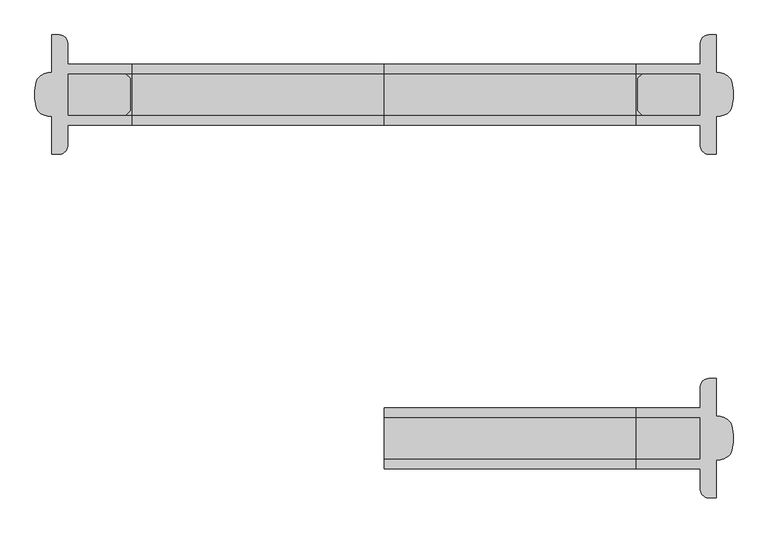
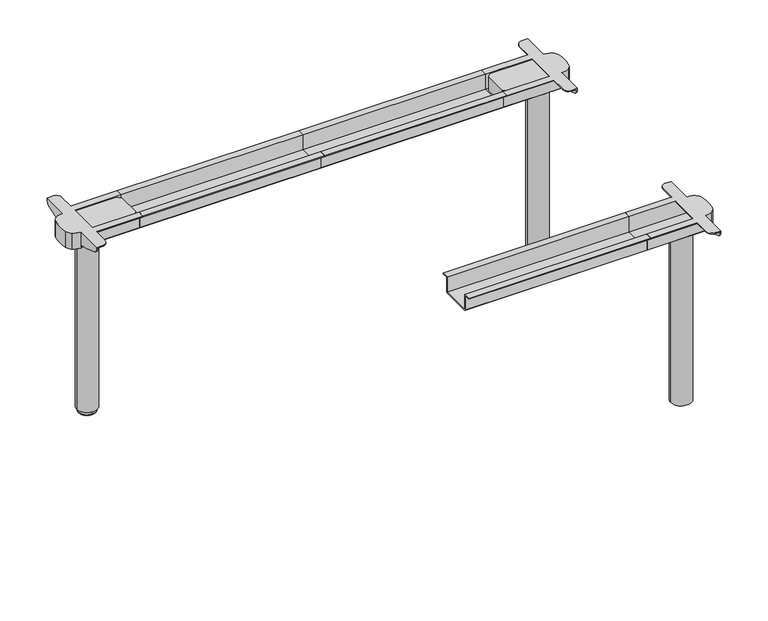
"""IFC4 building model written with IfcOpenShell, lengths in millimetres: furniture geometry."""

from ifc_helpers import new_model, si_unit, point, frame, frame_2d, origin, place, context, project, spatial, polyline, circle_curve, ellipse_curve, trimmed, segment, composite_curve, outline, extrude, source, transform, mapped, element, save
from ifc_brep_helpers import plane_surface, cylinder_surface, revolved_surface, advanced_brep


def furniture_148e4c05(model_context):
    return source(origin(), model_context, "Body", "SolidModel", [
        extrude(outline(polyline([(349.5, 692.0), (349.5, 695.0), (373.0, 695.0), (373.0, 640.0), (477.0, 640.0), (477.0, 695.0), (500.5, 695.0), (500.5, 692.0), (480.0, 692.0), (480.0, 640.0), (477.0, 637.0), (373.0, 637.0), (370.0, 640.0), (370.0, 692.0), (349.5, 692.0)])), frame((900.0, 0.0, 0.0), z_axis=(1.0, 0.0, 0.0), x_axis=(0.0, 1.0, 0.0)), (0.0, 0.0, 1.0), 622.0),
        extrude(outline(composite_curve([segment(trimmed(circle_curve(frame_2d((1670.0, 425.0)), 35.0), [point((1705.0, 425.0))], [point((1635.0, 425.0))], False, "CARTESIAN"), True, "CONTINUOUS"), segment(trimmed(circle_curve(frame_2d((1670.0, 425.0)), 35.0), [point((1635.0, 425.0))], [point((1705.0, 425.0))], False, "CARTESIAN"), True, "CONTINUOUS")], self_intersect=False)), frame((0.0, 0.0, 14.9999997), z_axis=(0.0, 0.0, 1.0), x_axis=(1.0, 0.0, 0.0)), (0.0, 0.0, 1.0), 608.0000003),
        extrude(outline(composite_curve([segment(trimmed(circle_curve(frame_2d((1670.0, 425.0)), 32.0), [point((1702.0, 425.0))], [point((1638.0, 425.0))], False, "CARTESIAN"), True, "CONTINUOUS"), segment(trimmed(circle_curve(frame_2d((1670.0, 425.0)), 32.0), [point((1638.0, 425.0))], [point((1702.0, 425.0))], False, "CARTESIAN"), True, "CONTINUOUS")], self_intersect=False)), frame((0.0, 0.0, 623.0), z_axis=(0.0, 0.0, 1.0), x_axis=(1.0, 0.0, 0.0)), (0.0, 0.0, 1.0), 14.0),
        advanced_brep(
        [(1702.0, 572.5, 695.0), (1682.0, 552.5, 695.0), (1682.0, 500.5, 695.0), (1522.0, 500.5, 695.0), (1522.0, 477.0, 695.0), (1682.0, 477.0, 695.0), (1682.0, 373.0, 695.0), (1522.0, 373.0, 695.0), (1522.0, 349.5, 695.0), (1682.0, 349.5, 695.0), (1682.0, 297.5, 695.0), (1702.0, 277.5, 695.0), (1721.0, 277.5, 695.0), (1721.0, 370.0, 695.0), (1747.7236564, 378.2997982, 695.0), (1759.3057318, 395.0019514, 695.0), (1759.3057318, 454.9980486, 695.0), (1747.7236564, 471.7002018, 695.0), (1721.0, 480.0, 695.0), (1721.0, 572.5, 695.0), (1702.0, 277.5, 692.0), (1682.0, 297.5, 692.0), (1682.0, 349.5, 692.0), (1522.0, 349.5, 692.0), (1522.0, 370.0, 692.0), (1718.0, 370.0, 692.0), (1718.0, 277.5, 692.0), (1682.0, 552.5, 692.0), (1702.0, 572.5, 692.0), (1718.0, 572.5, 692.0), (1718.0, 480.0, 692.0), (1522.0, 480.0, 692.0), (1522.0, 500.5, 692.0), (1682.0, 500.5, 692.0), (1682.0, 373.0, 692.0), (1682.0, 477.0, 692.0), (1718.0, 477.0, 692.0), (1718.0, 373.0, 692.0), (1718.0, 277.5, 690.0), (1721.0, 277.5, 690.0), (1721.0, 288.6005858, 672.1446048), (1721.0, 338.0263662, 654.4919759), (1721.0, 367.7068099, 647.0), (1721.0, 370.0, 647.0), (1721.0, 482.2931901, 647.0), (1721.0, 511.9736338, 654.4919759), (1721.0, 561.3994142, 672.1446048), (1721.0, 572.5, 690.0), (1721.0, 480.0, 647.0), (1718.0, 572.5, 690.0), (1718.0, 477.0, 647.0), (1718.0, 373.0, 647.0), (1718.0, 288.6005858, 672.1446048), (1718.0, 370.0, 647.0), (1718.0, 367.7068099, 647.0), (1718.0, 338.0263662, 654.4919759), (1718.0, 561.3994142, 672.1446048), (1718.0, 511.9736338, 654.4919759), (1718.0, 482.2931901, 647.0), (1718.0, 480.0, 647.0), (1721.0, 477.0, 647.0), (1721.0, 373.0, 647.0), (1522.0, 373.0, 640.0), (1522.0, 477.0, 640.0), (1522.0, 480.0, 640.0), (1522.0, 477.0, 637.0), (1522.0, 373.0, 637.0), (1522.0, 370.0, 640.0), (1721.0, 373.0, 640.0), (1721.0, 477.0, 640.0), (1721.0908216, 480.0, 640.0), (1721.0, 477.0, 637.0), (1721.0, 480.0, 637.0), (1747.7236564, 471.7002018, 637.0), (1759.3057318, 454.9980486, 637.0), (1759.3057318, 395.0019514, 637.0), (1747.7236564, 378.2997982, 637.0), (1721.0, 370.0, 637.0), (1721.0, 373.0, 637.0), (1721.0, 370.0, 640.0)],
        [
            (0, 1, circle_curve(frame((1702.0, 552.5, 695.0), z_axis=(0.0, 0.0, 1.0), x_axis=(-1.0, 0.0, 0.0)), 20.0)),
            (1, 2),
            (2, 3),
            (3, 4),
            (4, 5),
            (5, 6),
            (6, 7),
            (7, 8),
            (8, 9),
            (9, 10),
            (10, 11, circle_curve(frame((1702.0, 297.5, 695.0), z_axis=(0.0, 0.0, 1.0), x_axis=(-1.0, 0.0, 0.0)), 20.0)),
            (11, 12),
            (12, 13),
            (13, 14, circle_curve(frame((1721.0454108, 417.0260458, 695.0), z_axis=(0.0, 0.0, 1.0), x_axis=(-1.0, 0.0, 0.0)), 47.0260677)),
            (14, 15, circle_curve(frame((1731.4118931, 401.9780188, 695.0), z_axis=(0.0, 0.0, 1.0), x_axis=(-1.0, 0.0, 0.0)), 28.7529434)),
            (15, 16, circle_curve(frame((1639.3583906, 425.0, 695.0), z_axis=(0.0, 0.0, 1.0), x_axis=(-1.0, 0.0, 0.0)), 123.6416094)),
            (16, 17, circle_curve(frame((1731.4118931, 448.0219812, 695.0), z_axis=(0.0, 0.0, 1.0), x_axis=(-1.0, 0.0, 0.0)), 28.7529434)),
            (17, 18, circle_curve(frame((1721.0454108, 432.9739542, 695.0), z_axis=(0.0, 0.0, 1.0), x_axis=(-1.0, 0.0, 0.0)), 47.0260677)),
            (18, 19),
            (19, 0),
            (20, 21, circle_curve(frame((1702.0, 297.5, 692.0), z_axis=(0.0, 0.0, -1.0), x_axis=(-1.0, 0.0, 0.0)), 20.0)),
            (21, 22),
            (22, 23),
            (23, 24),
            (24, 25),
            (25, 26),
            (26, 20),
            (27, 28, circle_curve(frame((1702.0, 552.5, 692.0), z_axis=(0.0, 0.0, -1.0), x_axis=(-1.0, 0.0, 0.0)), 20.0)),
            (28, 29),
            (29, 30),
            (30, 31),
            (31, 32),
            (32, 33),
            (33, 27),
            (34, 35),
            (35, 36),
            (36, 37),
            (37, 34),
            (11, 20),
            (26, 38),
            (38, 39),
            (39, 12),
            (40, 41, circle_curve(frame((1721.0, 405.1855435, 920.5518532), z_axis=(1.0, 0.0, 0.0), x_axis=(0.0, -1.0, 0.0)), 274.4051993)),
            (41, 42),
            (42, 43),
            (43, 13),
            (39, 40, circle_curve(frame((1721.0, 297.4105773, 690.0), z_axis=(1.0, 0.0, 0.0), x_axis=(0.0, -1.0, 0.0)), 19.9105773)),
            (44, 45),
            (45, 46, circle_curve(frame((1721.0, 444.8144565, 920.5518532), z_axis=(1.0, 0.0, 0.0), x_axis=(0.0, -1.0, 0.0)), 274.4051993)),
            (46, 47, circle_curve(frame((1721.0, 552.5894227, 690.0), z_axis=(1.0, 0.0, 0.0), x_axis=(0.0, -1.0, 0.0)), 19.9105773)),
            (47, 19),
            (18, 48),
            (48, 44),
            (28, 0),
            (47, 49),
            (49, 29),
            (27, 1),
            (5, 35),
            (34, 6),
            (33, 2),
            (21, 10),
            (9, 22),
            (36, 50),
            (50, 51),
            (51, 37),
            (52, 38, circle_curve(frame((1718.0, 297.4105773, 690.0), z_axis=(-1.0, 0.0, 0.0), x_axis=(0.0, -1.0, 0.0)), 19.9105773)),
            (25, 53),
            (53, 54),
            (54, 55),
            (55, 52, circle_curve(frame((1718.0, 405.1855435, 920.5518532), z_axis=(-1.0, 0.0, 0.0), x_axis=(0.0, -1.0, 0.0)), 274.4051993)),
            (49, 56, circle_curve(frame((1718.0, 552.5894227, 690.0), z_axis=(-1.0, 0.0, 0.0), x_axis=(0.0, -1.0, 0.0)), 19.9105773)),
            (56, 57, circle_curve(frame((1718.0, 444.8144565, 920.5518532), z_axis=(-1.0, 0.0, 0.0), x_axis=(0.0, -1.0, 0.0)), 274.4051993)),
            (57, 58),
            (58, 59),
            (59, 30),
            (52, 40),
            (46, 56),
            (45, 57),
            (44, 58),
            (50, 60),
            (60, 61),
            (61, 51),
            (48, 59),
            (42, 54),
            (53, 43),
            (41, 55),
            (23, 8),
            (7, 62),
            (62, 63),
            (63, 4),
            (3, 32),
            (31, 64),
            (64, 65),
            (65, 66),
            (66, 67),
            (67, 24),
            (61, 68),
            (68, 62),
            (68, 69),
            (69, 63),
            (69, 60),
            (48, 70),
            (70, 64),
            (65, 71),
            (71, 72),
            (72, 73, circle_curve(frame((1721.0454108, 432.9739542, 637.0), z_axis=(0.0, 0.0, -1.0), x_axis=(-1.0, 0.0, 0.0)), 47.0260677)),
            (73, 74, circle_curve(frame((1731.4118931, 448.0219812, 637.0), z_axis=(0.0, 0.0, -1.0), x_axis=(-1.0, 0.0, 0.0)), 28.7529434)),
            (74, 75, circle_curve(frame((1639.3583906, 425.0, 637.0), z_axis=(0.0, 0.0, -1.0), x_axis=(-1.0, 0.0, 0.0)), 123.6416094)),
            (75, 76, circle_curve(frame((1731.4118931, 401.9780188, 637.0), z_axis=(0.0, 0.0, -1.0), x_axis=(-1.0, 0.0, 0.0)), 28.7529434)),
            (76, 77, circle_curve(frame((1721.0454108, 417.0260458, 637.0), z_axis=(0.0, 0.0, -1.0), x_axis=(-1.0, 0.0, 0.0)), 47.0260677)),
            (77, 78),
            (78, 66),
            (67, 79),
            (79, 43),
            (70, 71),
            (78, 79),
            (70, 72),
            (77, 79),
            (76, 14),
            (75, 15),
            (74, 16),
            (73, 17),
        ],
        [
            plane_surface(frame((1721.0, 277.5, 695.0), z_axis=(0.0, 0.0, 1.0), x_axis=(1.0, 0.0, 0.0))),
            plane_surface(frame((1721.0, 277.5, 692.0), z_axis=(0.0, 0.0, -1.0), x_axis=(-1.0, 0.0, 0.0))),
            plane_surface(frame((1702.0, 277.5, 695.0), z_axis=(0.0, -1.0, 0.0), x_axis=(0.0, 0.0, -1.0))),
            plane_surface(frame((1721.0, 277.5, 695.0), z_axis=(1.0, 0.0, 0.0), x_axis=(0.0, 0.0, -1.0))),
            plane_surface(frame((1721.0, 572.5, 695.0), z_axis=(0.0, 1.0, 0.0), x_axis=(0.0, 0.0, -1.0))),
            cylinder_surface(frame((1702.0, 552.5, 692.0), z_axis=(0.0, 0.0, 1.0), x_axis=(-1.0, 0.0, 0.0)), 20.0),
            plane_surface(frame((1682.0, 552.5, 695.0), z_axis=(-1.0, 0.0, 0.0), x_axis=(0.0, 0.0, -1.0))),
            cylinder_surface(frame((1702.0, 297.5, 692.0), z_axis=(0.0, 0.0, 1.0), x_axis=(-1.0, 0.0, 0.0)), 20.0),
            plane_surface(frame((1718.0, 277.5, 690.0), z_axis=(-1.0, 0.0, 0.0), x_axis=(0.0, 0.0, 1.0))),
            cylinder_surface(frame((1721.0, 297.4105773, 690.0), z_axis=(-1.0, 0.0, 0.0), x_axis=(0.0, -1.0, 0.0)), 19.9105773),
            cylinder_surface(frame((1721.0, 552.5894227, 690.0), z_axis=(-1.0, 0.0, 0.0), x_axis=(0.0, -1.0, 0.0)), 19.9105773),
            cylinder_surface(frame((1721.0, 444.8144565, 920.5518532), z_axis=(-1.0, 0.0, 0.0), x_axis=(0.0, -1.0, 0.0)), 274.4051993),
            plane_surface(frame((1718.0, 511.9736338, 654.4919759), z_axis=(0.0, 0.24474455091917155, -0.9695875952152921), x_axis=(1.0, 0.0, 0.0))),
            plane_surface(frame((1718.0, 482.2931901, 647.0), z_axis=(0.0, 0.0, -1.0), x_axis=(1.0, 0.0, 0.0))),
            plane_surface(frame((1718.0, 367.7068099, 647.0), z_axis=(0.0, -0.24474455091895964, -0.9695875952153455), x_axis=(1.0, 0.0, 0.0))),
            cylinder_surface(frame((1721.0, 405.1855435, 920.5518532), z_axis=(-1.0, 0.0, 0.0), x_axis=(0.0, -1.0, 0.0)), 274.4051993),
            plane_surface(frame((1522.0, 349.5, 695.0), z_axis=(-1.0, 0.0, 0.0), x_axis=(0.0, 0.0, 1.0))),
            plane_surface(frame((1522.0, 349.5, 692.0), z_axis=(0.0, -1.0, 0.0), x_axis=(1.0, 0.0, 0.0))),
            plane_surface(frame((1522.0, 373.0, 695.0), z_axis=(0.0, 1.0, 0.0), x_axis=(1.0, 0.0, 0.0))),
            plane_surface(frame((1522.0, 373.0, 640.0), z_axis=(0.0, 0.0, 1.0), x_axis=(1.0, 0.0, 0.0))),
            plane_surface(frame((1522.0, 477.0, 640.0), z_axis=(0.0, -1.0, 0.0), x_axis=(1.0, 0.0, 0.0))),
            plane_surface(frame((1522.0, 500.5, 695.0), z_axis=(0.0, 1.0, 0.0), x_axis=(1.0, 0.0, 0.0))),
            plane_surface(frame((1522.0, 480.0, 692.0), z_axis=(0.0, 1.0, 0.0), x_axis=(1.0, 0.0, 0.0))),
            plane_surface(frame((1522.0, 477.0, 637.0), z_axis=(0.0, 0.0, -1.0), x_axis=(1.0, 0.0, 0.0))),
            plane_surface(frame((1522.0, 370.0, 640.0), z_axis=(0.0, -1.0, 0.0), x_axis=(1.0, 0.0, 0.0))),
            plane_surface(frame((1522.0, 480.0, 640.0), z_axis=(0.0, 0.7071067811945555, -0.7071067811785396), x_axis=(1.0, 0.0, 0.0))),
            plane_surface(frame((1522.0, 373.0, 637.0), z_axis=(0.0, -0.7071067811865396, -0.7071067811865555), x_axis=(1.0, 0.0, 0.0))),
            plane_surface(frame((1721.0, 480.0, 695.0), z_axis=(-1.0, 0.0, 0.0), x_axis=(0.0, 0.0, -1.0))),
            cylinder_surface(frame((1721.0454108, 417.0260458, 637.0), z_axis=(0.0, 0.0, 1.0), x_axis=(-1.0, 0.0, 0.0)), 47.0260677),
            cylinder_surface(frame((1731.4118931, 401.9780188, 637.0), z_axis=(0.0, 0.0, 1.0), x_axis=(-1.0, 0.0, 0.0)), 28.7529434),
            cylinder_surface(frame((1639.3583906, 425.0, 637.0), z_axis=(0.0, 0.0, 1.0), x_axis=(-1.0, 0.0, 0.0)), 123.6416094),
            cylinder_surface(frame((1731.4118931, 448.0219812, 637.0), z_axis=(0.0, 0.0, 1.0), x_axis=(-1.0, 0.0, 0.0)), 28.7529434),
            cylinder_surface(frame((1721.0454108, 432.9739542, 637.0), z_axis=(0.0, 0.0, 1.0), x_axis=(-1.0, 0.0, 0.0)), 47.0260677),
        ],
        [
            (0, [[1, 2, 3, 4, 5, 6, 7, 8, 9, 10, 11, 12, 13, 14, 15, 16, 17, 18, 19, 20]]),
            (1, [[21, 22, 23, 24, 25, 26, 27]]),
            (1, [[28, 29, 30, 31, 32, 33, 34]]),
            (1, [[35, 36, 37, 38]]),
            (2, [[39, -27, 40, 41, 42, -12]]),
            (3, [[43, 44, 45, 46, -13, -42, 47]]),
            (3, [[48, 49, 50, 51, -19, 52, 53]]),
            (4, [[54, -20, -51, 55, 56, -29]]),
            (5, [[-1, -54, -28, 57]]),
            (6, [[-6, 58, -35, 59]]),
            (6, [[-57, -34, 60, -2]]),
            (6, [[61, -10, 62, -22]]),
            (7, [[-11, -61, -21, -39]]),
            (8, [[-37, 63, 64, 65]]),
            (8, [[66, -40, -26, 67, 68, 69, 70]]),
            (8, [[71, 72, 73, 74, 75, -30, -56]]),
            (9, [[-66, 76, -47, -41]]),
            (10, [[-71, -55, -50, 77]]),
            (11, [[-72, -77, -49, 78]]),
            (12, [[-73, -78, -48, 79]]),
            (13, [[-64, 80, 81, 82]]),
            (13, [[-79, -53, 83, -74]]),
            (13, [[84, -68, 85, -45]]),
            (14, [[-69, -84, -44, 86]]),
            (15, [[-70, -86, -43, -76]]),
            (16, [[87, -8, 88, 89, 90, -4, 91, -32, 92, 93, 94, 95, 96, -24]]),
            (17, [[-87, -23, -62, -9]]),
            (18, [[-88, -7, -59, -38, -65, -82, 97, 98]]),
            (19, [[-89, -98, 99, 100]]),
            (20, [[-90, -100, 101, -80, -63, -36, -58, -5]]),
            (21, [[-91, -3, -60, -33]]),
            (22, [[-92, -31, -75, -83, 102, 103]]),
            (23, [[-94, 104, 105, 106, 107, 108, 109, 110, 111, 112]]),
            (24, [[-96, 113, 114, -85, -67, -25]]),
            (25, [[-93, -103, 115, -104]]),
            (26, [[-95, -112, 116, -113]]),
            (27, [[-81, -101, -99, -97]]),
            (27, [[-105, -115, 117]]),
            (27, [[118, -116, -111]]),
            (28, [[-14, -46, -114, -118, -110, 119]]),
            (29, [[-15, -119, -109, 120]]),
            (30, [[-16, -120, -108, 121]]),
            (31, [[-17, -121, -107, 122]]),
            (32, [[-18, -122, -106, -117, -102, -52]]),
        ],
    ),
        advanced_brep(
        [(1670.0, 395.0, 11.9999997), (1670.0, 455.0, 11.9999997), (1670.0, 452.0, 14.9999997), (1670.0, 398.0, 14.9999997), (1670.0, 395.0, 3.0), (1670.0, 455.0, 3.0), (1670.0, 398.0, 0.0), (1670.0, 452.0, 0.0), (1670.0, 425.0, 0.0), (1670.0, 425.0, 14.9999997)],
        [
            (0, 1, circle_curve(frame((1670.0, 425.0, 11.9999997), z_axis=(0.0, 0.0, 1.0), x_axis=(0.0, 1.0, 0.0)), 30.0)),
            (1, 2, circle_curve(frame((1670.0, 452.0, 11.9999997), z_axis=(1.0, 0.0, 0.0), x_axis=(0.0, -1.0, 0.0)), 3.0)),
            (2, 3, circle_curve(frame((1670.0, 425.0, 14.9999997), z_axis=(0.0, 0.0, -1.0), x_axis=(0.0, 1.0, 0.0)), 27.0)),
            (3, 0, circle_curve(frame((1670.0, 398.0, 11.9999997), z_axis=(1.0, 0.0, 0.0), x_axis=(0.0, 1.0, 0.0)), 3.0)),
            (1, 0, circle_curve(frame((1670.0, 425.0, 11.9999997), z_axis=(0.0, 0.0, 1.0), x_axis=(0.0, 1.0, 0.0)), 30.0)),
            (3, 2, circle_curve(frame((1670.0, 425.0, 14.9999997), z_axis=(0.0, 0.0, -1.0), x_axis=(0.0, 1.0, 0.0)), 27.0)),
            (4, 5, circle_curve(frame((1670.0, 425.0, 3.0), z_axis=(0.0, 0.0, 1.0), x_axis=(0.0, 1.0, 0.0)), 30.0)),
            (5, 1),
            (0, 4),
            (5, 4, circle_curve(frame((1670.0, 425.0, 3.0), z_axis=(0.0, 0.0, 1.0), x_axis=(0.0, 1.0, 0.0)), 30.0)),
            (6, 7, circle_curve(frame((1670.0, 425.0, 0.0), z_axis=(0.0, 0.0, 1.0), x_axis=(0.0, 1.0, 0.0)), 27.0)),
            (7, 5, circle_curve(frame((1670.0, 452.0, 3.0), z_axis=(1.0, 0.0, 0.0), x_axis=(0.0, -1.0, 0.0)), 3.0)),
            (4, 6, circle_curve(frame((1670.0, 398.0, 3.0), z_axis=(1.0, 0.0, 0.0), x_axis=(0.0, 1.0, 0.0)), 3.0)),
            (7, 6, circle_curve(frame((1670.0, 425.0, 0.0), z_axis=(0.0, 0.0, 1.0), x_axis=(0.0, 1.0, 0.0)), 27.0)),
            (8, 7),
            (6, 8),
            (2, 9),
            (9, 3),
        ],
        [
            revolved_surface(trimmed(ellipse_curve(frame((1670.0, 452.0, 11.9999997), z_axis=(-1.0, 0.0, 0.0), x_axis=(0.0, -1.0, 0.0)), 3.0, 3.0), [point((1670.0, 452.0, 14.9999997))], [point((1670.0, 455.0, 11.9999997))], True, "CARTESIAN"), (1670.0, 425.0, -5.0), (0.0, 0.0, -1.0)),
            cylinder_surface(frame((1670.0, 425.0, -5.0), z_axis=(0.0, 0.0, -1.0), x_axis=(0.0, 1.0, 0.0)), 30.0),
            revolved_surface(trimmed(ellipse_curve(frame((1670.0, 452.0, 3.0), z_axis=(-1.0, 0.0, 0.0), x_axis=(0.0, -1.0, 0.0)), 3.0, 3.0), [point((1670.0, 455.0, 3.0))], [point((1670.0, 452.0, 0.0))], True, "CARTESIAN"), (1670.0, 425.0, -5.0), (0.0, 0.0, -1.0)),
            plane_surface(frame((1670.0, 425.0, 0.0), z_axis=(0.0, 0.0, -1.0), x_axis=(0.0, 1.0, 0.0))),
            plane_surface(frame((1670.0, 425.0, 14.9999997), z_axis=(0.0, 0.0, 1.0), x_axis=(0.0, 1.0, 0.0))),
        ],
        [
            (0, [[1, 2, 3, 4]]),
            (0, [[5, -4, 6, -2]]),
            (1, [[7, 8, -1, 9]]),
            (1, [[10, -9, -5, -8]]),
            (2, [[11, 12, -7, 13]]),
            (2, [[14, -13, -10, -12]]),
            (3, [[15, -11, 16]]),
            (3, [[-16, -14, -15]]),
            (4, [[-3, 17, 18]]),
            (4, [[-6, -18, -17]]),
        ],
    ),
        extrude(outline(polyline([(1539.0058611, 373.0), (1527.0, 385.0058611), (1527.0, 464.9941389), (1539.0058611, 477.0), (1721.0, 477.0), (1721.0, 373.0), (1539.0058611, 373.0)])), frame((0.0, 0.0, 640.0), z_axis=(0.0, 0.0, 1.0), x_axis=(1.0, 0.0, 0.0)), (0.0, 0.0, 1.0), 52.0),
        extrude(outline(polyline([(349.5, 692.0), (349.5, 695.0), (373.0, 695.0), (373.0, 640.0), (477.0, 640.0), (477.0, 695.0), (500.5, 695.0), (500.5, 692.0), (480.0, 692.0), (480.0, 640.0), (477.0, 637.0), (373.0, 637.0), (370.0, 640.0), (370.0, 692.0), (349.5, 692.0)])), frame((278.0, 0.0, 0.0), z_axis=(1.0, 0.0, 0.0), x_axis=(0.0, 1.0, 0.0)), (0.0, 0.0, 1.0), 622.0),
        extrude(outline(composite_curve([segment(trimmed(circle_curve(frame_2d((130.0, 425.0)), 35.0), [point((95.0, 425.0))], [point((165.0, 425.0))], False, "CARTESIAN"), True, "CONTINUOUS"), segment(trimmed(circle_curve(frame_2d((130.0, 425.0)), 35.0), [point((165.0, 425.0))], [point((95.0, 425.0))], False, "CARTESIAN"), True, "CONTINUOUS")], self_intersect=False)), frame((0.0, 0.0, 14.9999997), z_axis=(0.0, 0.0, 1.0), x_axis=(1.0, 0.0, 0.0)), (0.0, 0.0, 1.0), 608.0000003),
        extrude(outline(composite_curve([segment(trimmed(circle_curve(frame_2d((130.0, 425.0)), 32.0), [point((98.0, 425.0))], [point((162.0, 425.0))], False, "CARTESIAN"), True, "CONTINUOUS"), segment(trimmed(circle_curve(frame_2d((130.0, 425.0)), 32.0), [point((162.0, 425.0))], [point((98.0, 425.0))], False, "CARTESIAN"), True, "CONTINUOUS")], self_intersect=False)), frame((0.0, 0.0, 623.0), z_axis=(0.0, 0.0, 1.0), x_axis=(1.0, 0.0, 0.0)), (0.0, 0.0, 1.0), 14.0),
        advanced_brep(
        [(98.0, 572.5, 695.0), (79.0, 572.5, 695.0), (79.0, 480.0, 695.0), (52.2763436, 471.7002018, 695.0), (40.6942682, 454.9980486, 695.0), (40.6942682, 395.0019514, 695.0), (52.2763436, 378.2997982, 695.0), (79.0, 370.0, 695.0), (79.0, 277.5, 695.0), (98.0, 277.5, 695.0), (118.0, 297.5, 695.0), (118.0, 349.5, 695.0), (278.0, 349.5, 695.0), (278.0, 373.0, 695.0), (118.0, 373.0, 695.0), (118.0, 477.0, 695.0), (278.0, 477.0, 695.0), (278.0, 500.5, 695.0), (118.0, 500.5, 695.0), (118.0, 552.5, 695.0), (98.0, 277.5, 692.0), (82.0, 277.5, 692.0), (82.0, 370.0, 692.0), (278.0, 370.0, 692.0), (278.0, 349.5, 692.0), (118.0, 349.5, 692.0), (118.0, 297.5, 692.0), (118.0, 552.5, 692.0), (118.0, 500.5, 692.0), (278.0, 500.5, 692.0), (278.0, 480.0, 692.0), (82.0, 480.0, 692.0), (82.0, 572.5, 692.0), (98.0, 572.5, 692.0), (118.0, 373.0, 692.0), (82.0, 373.0, 692.0), (82.0, 477.0, 692.0), (118.0, 477.0, 692.0), (79.0, 277.5, 690.0), (82.0, 277.5, 690.0), (79.0, 288.6005858, 672.1446048), (79.0, 370.0, 647.0), (79.0, 367.7068099, 647.0), (79.0, 338.0263662, 654.4919759), (79.0, 482.2931901, 647.0), (79.0, 480.0, 647.0), (79.0, 572.5, 690.0), (79.0, 561.3994142, 672.1446048), (79.0, 511.9736338, 654.4919759), (82.0, 572.5, 690.0), (82.0, 480.0, 647.0), (82.0, 482.2931901, 647.0), (82.0, 511.9736338, 654.4919759), (82.0, 561.3994142, 672.1446048), (82.0, 288.6005858, 672.1446048), (82.0, 338.0263662, 654.4919759), (82.0, 367.7068099, 647.0), (82.0, 370.0, 647.0), (82.0, 373.0, 647.0), (82.0, 477.0, 647.0), (79.0, 373.0, 647.0), (79.0, 477.0, 647.0), (278.0, 370.0, 640.0), (278.0, 373.0, 637.0), (278.0, 477.0, 637.0), (278.0, 480.0, 640.0), (278.0, 477.0, 640.0), (278.0, 373.0, 640.0), (79.0, 373.0, 640.0), (79.0, 477.0, 640.0), (79.0, 480.0, 640.0), (79.0, 373.0, 637.0), (79.0, 370.0, 637.0), (52.2763436, 378.2997982, 637.0), (40.6942682, 395.0019514, 637.0), (40.6942682, 454.9980486, 637.0), (52.2763436, 471.7002018, 637.0), (79.0, 480.0, 637.0), (79.0, 477.0, 637.0), (79.0, 370.0, 640.0)],
        [
            (0, 1),
            (1, 2),
            (2, 3, circle_curve(frame((78.9545892, 432.9739542, 695.0), z_axis=(0.0, 0.0, 1.0), x_axis=(1.0, 0.0, 0.0)), 47.0260677)),
            (3, 4, circle_curve(frame((68.5881069, 448.0219812, 695.0), z_axis=(0.0, 0.0, 1.0), x_axis=(1.0, 0.0, 0.0)), 28.7529434)),
            (4, 5, circle_curve(frame((160.6416094, 425.0, 695.0), z_axis=(0.0, 0.0, 1.0), x_axis=(1.0, 0.0, 0.0)), 123.6416094)),
            (5, 6, circle_curve(frame((68.5881069, 401.9780188, 695.0), z_axis=(0.0, 0.0, 1.0), x_axis=(1.0, 0.0, 0.0)), 28.7529434)),
            (6, 7, circle_curve(frame((78.9545892, 417.0260458, 695.0), z_axis=(0.0, 0.0, 1.0), x_axis=(1.0, 0.0, 0.0)), 47.0260677)),
            (7, 8),
            (8, 9),
            (9, 10, circle_curve(frame((98.0, 297.5, 695.0), z_axis=(0.0, 0.0, 1.0), x_axis=(1.0, 0.0, 0.0)), 20.0)),
            (10, 11),
            (11, 12),
            (12, 13),
            (13, 14),
            (14, 15),
            (15, 16),
            (16, 17),
            (17, 18),
            (18, 19),
            (19, 0, circle_curve(frame((98.0, 552.5, 695.0), z_axis=(0.0, 0.0, 1.0), x_axis=(1.0, 0.0, 0.0)), 20.0)),
            (20, 21),
            (21, 22),
            (22, 23),
            (23, 24),
            (24, 25),
            (25, 26),
            (26, 20, circle_curve(frame((98.0, 297.5, 692.0), z_axis=(0.0, 0.0, -1.0), x_axis=(1.0, 0.0, 0.0)), 20.0)),
            (27, 28),
            (28, 29),
            (29, 30),
            (30, 31),
            (31, 32),
            (32, 33),
            (33, 27, circle_curve(frame((98.0, 552.5, 692.0), z_axis=(0.0, 0.0, -1.0), x_axis=(1.0, 0.0, 0.0)), 20.0)),
            (34, 35),
            (35, 36),
            (36, 37),
            (37, 34),
            (8, 38),
            (38, 39),
            (39, 21),
            (20, 9),
            (40, 38, circle_curve(frame((79.0, 297.4105773, 690.0), z_axis=(-1.0, 0.0, 0.0), x_axis=(0.0, -1.0, 0.0)), 19.9105773)),
            (7, 41),
            (41, 42),
            (42, 43),
            (43, 40, circle_curve(frame((79.0, 405.1855435, 920.5518532), z_axis=(-1.0, 0.0, 0.0), x_axis=(0.0, -1.0, 0.0)), 274.4051993)),
            (44, 45),
            (45, 2),
            (1, 46),
            (46, 47, circle_curve(frame((79.0, 552.5894227, 690.0), z_axis=(-1.0, 0.0, 0.0), x_axis=(0.0, -1.0, 0.0)), 19.9105773)),
            (47, 48, circle_curve(frame((79.0, 444.8144565, 920.5518532), z_axis=(-1.0, 0.0, 0.0), x_axis=(0.0, -1.0, 0.0)), 274.4051993)),
            (48, 44),
            (32, 49),
            (49, 46),
            (0, 33),
            (19, 27),
            (18, 28),
            (25, 11),
            (10, 26),
            (14, 34),
            (37, 15),
            (31, 50),
            (50, 51),
            (51, 52),
            (52, 53, circle_curve(frame((82.0, 444.8144565, 920.5518532), z_axis=(1.0, 0.0, 0.0), x_axis=(0.0, -1.0, 0.0)), 274.4051993)),
            (53, 49, circle_curve(frame((82.0, 552.5894227, 690.0), z_axis=(1.0, 0.0, 0.0), x_axis=(0.0, -1.0, 0.0)), 19.9105773)),
            (54, 55, circle_curve(frame((82.0, 405.1855435, 920.5518532), z_axis=(1.0, 0.0, 0.0), x_axis=(0.0, -1.0, 0.0)), 274.4051993)),
            (55, 56),
            (56, 57),
            (57, 22),
            (39, 54, circle_curve(frame((82.0, 297.4105773, 690.0), z_axis=(1.0, 0.0, 0.0), x_axis=(0.0, -1.0, 0.0)), 19.9105773)),
            (35, 58),
            (58, 59),
            (59, 36),
            (40, 54),
            (53, 47),
            (52, 48),
            (51, 44),
            (41, 57),
            (56, 42),
            (50, 45),
            (58, 60),
            (60, 61),
            (61, 59),
            (55, 43),
            (23, 62),
            (62, 63),
            (63, 64),
            (64, 65),
            (65, 30),
            (29, 17),
            (16, 66),
            (66, 67),
            (67, 13),
            (12, 24),
            (67, 68),
            (68, 60),
            (66, 69),
            (69, 68),
            (61, 69),
            (65, 70),
            (70, 45),
            (63, 71),
            (71, 72),
            (72, 73, circle_curve(frame((78.9545892, 417.0260458, 637.0), z_axis=(0.0, 0.0, -1.0), x_axis=(1.0, 0.0, 0.0)), 47.0260677)),
            (73, 74, circle_curve(frame((68.5881069, 401.9780188, 637.0), z_axis=(0.0, 0.0, -1.0), x_axis=(1.0, 0.0, 0.0)), 28.7529434)),
            (74, 75, circle_curve(frame((160.6416094, 425.0, 637.0), z_axis=(0.0, 0.0, -1.0), x_axis=(1.0, 0.0, 0.0)), 123.6416094)),
            (75, 76, circle_curve(frame((68.5881069, 448.0219812, 637.0), z_axis=(0.0, 0.0, -1.0), x_axis=(1.0, 0.0, 0.0)), 28.7529434)),
            (76, 77, circle_curve(frame((78.9545892, 432.9739542, 637.0), z_axis=(0.0, 0.0, -1.0), x_axis=(1.0, 0.0, 0.0)), 47.0260677)),
            (77, 78),
            (78, 64),
            (41, 79),
            (79, 62),
            (78, 70),
            (79, 71),
            (79, 72),
            (77, 70),
            (6, 73),
            (5, 74),
            (4, 75),
            (3, 76),
        ],
        [
            plane_surface(frame((79.0, 277.5, 695.0), z_axis=(0.0, 0.0, 1.0), x_axis=(-1.0, 0.0, 0.0))),
            plane_surface(frame((79.0, 277.5, 692.0), z_axis=(0.0, 0.0, -1.0), x_axis=(1.0, 0.0, 0.0))),
            plane_surface(frame((98.0, 277.5, 695.0), z_axis=(0.0, -1.0, 0.0), x_axis=(0.0, 0.0, -1.0))),
            plane_surface(frame((79.0, 277.5, 695.0), z_axis=(-1.0, 0.0, 0.0), x_axis=(0.0, 0.0, -1.0))),
            plane_surface(frame((79.0, 572.5, 695.0), z_axis=(0.0, 1.0, 0.0), x_axis=(0.0, 0.0, -1.0))),
            cylinder_surface(frame((98.0, 552.5, 692.0), z_axis=(0.0, 0.0, 1.0), x_axis=(1.0, 0.0, 0.0)), 20.0),
            plane_surface(frame((118.0, 552.5, 695.0), z_axis=(1.0, 0.0, 0.0), x_axis=(0.0, 0.0, -1.0))),
            cylinder_surface(frame((98.0, 297.5, 692.0), z_axis=(0.0, 0.0, 1.0), x_axis=(1.0, 0.0, 0.0)), 20.0),
            plane_surface(frame((82.0, 277.5, 690.0), z_axis=(1.0, 0.0, 0.0), x_axis=(0.0, 0.0, 1.0))),
            cylinder_surface(frame((79.0, 297.4105773, 690.0), z_axis=(1.0, 0.0, 0.0), x_axis=(0.0, -1.0, 0.0)), 19.9105773),
            cylinder_surface(frame((79.0, 552.5894227, 690.0), z_axis=(1.0, 0.0, 0.0), x_axis=(0.0, -1.0, 0.0)), 19.9105773),
            cylinder_surface(frame((79.0, 444.8144565, 920.5518532), z_axis=(1.0, 0.0, 0.0), x_axis=(0.0, -1.0, 0.0)), 274.4051993),
            plane_surface(frame((82.0, 511.9736338, 654.4919759), z_axis=(0.0, 0.24474455091917155, -0.9695875952152921), x_axis=(-1.0, 0.0, 0.0))),
            plane_surface(frame((82.0, 482.2931901, 647.0), z_axis=(0.0, 0.0, -1.0), x_axis=(-1.0, 0.0, 0.0))),
            plane_surface(frame((82.0, 367.7068099, 647.0), z_axis=(0.0, -0.24474455091895964, -0.9695875952153455), x_axis=(-1.0, 0.0, 0.0))),
            cylinder_surface(frame((79.0, 405.1855435, 920.5518532), z_axis=(1.0, 0.0, 0.0), x_axis=(0.0, -1.0, 0.0)), 274.4051993),
            plane_surface(frame((278.0, 349.5, 695.0), z_axis=(1.0, 0.0, 0.0), x_axis=(0.0, 0.0, 1.0))),
            plane_surface(frame((278.0, 349.5, 692.0), z_axis=(0.0, -1.0, 0.0), x_axis=(-1.0, 0.0, 0.0))),
            plane_surface(frame((278.0, 373.0, 695.0), z_axis=(0.0, 1.0, 0.0), x_axis=(-1.0, 0.0, 0.0))),
            plane_surface(frame((278.0, 373.0, 640.0), z_axis=(0.0, 0.0, 1.0), x_axis=(-1.0, 0.0, 0.0))),
            plane_surface(frame((278.0, 477.0, 640.0), z_axis=(0.0, -1.0, 0.0), x_axis=(-1.0, 0.0, 0.0))),
            plane_surface(frame((278.0, 500.5, 695.0), z_axis=(0.0, 1.0, 0.0), x_axis=(-1.0, 0.0, 0.0))),
            plane_surface(frame((278.0, 480.0, 692.0), z_axis=(0.0, 1.0, 0.0), x_axis=(-1.0, 0.0, 0.0))),
            plane_surface(frame((278.0, 477.0, 637.0), z_axis=(0.0, 0.0, -1.0), x_axis=(-1.0, 0.0, 0.0))),
            plane_surface(frame((278.0, 370.0, 640.0), z_axis=(0.0, -1.0, 0.0), x_axis=(-1.0, 0.0, 0.0))),
            plane_surface(frame((278.0, 480.0, 640.0), z_axis=(0.0, 0.7071067811945555, -0.7071067811785396), x_axis=(-1.0, 0.0, 0.0))),
            plane_surface(frame((278.0, 373.0, 637.0), z_axis=(0.0, -0.7071067811865396, -0.7071067811865555), x_axis=(-1.0, 0.0, 0.0))),
            plane_surface(frame((79.0, 480.0, 695.0), z_axis=(1.0, 0.0, 0.0), x_axis=(0.0, 0.0, -1.0))),
            cylinder_surface(frame((78.9545892, 417.0260458, 637.0), z_axis=(0.0, 0.0, 1.0), x_axis=(1.0, 0.0, 0.0)), 47.0260677),
            cylinder_surface(frame((68.5881069, 401.9780188, 637.0), z_axis=(0.0, 0.0, 1.0), x_axis=(1.0, 0.0, 0.0)), 28.7529434),
            cylinder_surface(frame((160.6416094, 425.0, 637.0), z_axis=(0.0, 0.0, 1.0), x_axis=(1.0, 0.0, 0.0)), 123.6416094),
            cylinder_surface(frame((68.5881069, 448.0219812, 637.0), z_axis=(0.0, 0.0, 1.0), x_axis=(1.0, 0.0, 0.0)), 28.7529434),
            cylinder_surface(frame((78.9545892, 432.9739542, 637.0), z_axis=(0.0, 0.0, 1.0), x_axis=(1.0, 0.0, 0.0)), 47.0260677),
        ],
        [
            (0, [[1, 2, 3, 4, 5, 6, 7, 8, 9, 10, 11, 12, 13, 14, 15, 16, 17, 18, 19, 20]]),
            (1, [[21, 22, 23, 24, 25, 26, 27]]),
            (1, [[28, 29, 30, 31, 32, 33, 34]]),
            (1, [[35, 36, 37, 38]]),
            (2, [[-9, 39, 40, 41, -21, 42]]),
            (3, [[43, -39, -8, 44, 45, 46, 47]]),
            (3, [[48, 49, -2, 50, 51, 52, 53]]),
            (4, [[-33, 54, 55, -50, -1, 56]]),
            (5, [[57, -34, -56, -20]]),
            (6, [[-19, 58, -28, -57]]),
            (6, [[-26, 59, -11, 60]]),
            (6, [[61, -38, 62, -15]]),
            (7, [[-42, -27, -60, -10]]),
            (8, [[-54, -32, 63, 64, 65, 66, 67]]),
            (8, [[68, 69, 70, 71, -22, -41, 72]]),
            (8, [[73, 74, 75, -36]]),
            (9, [[-40, -43, 76, -72]]),
            (10, [[77, -51, -55, -67]]),
            (11, [[78, -52, -77, -66]]),
            (12, [[79, -53, -78, -65]]),
            (13, [[-45, 80, -70, 81]]),
            (13, [[-64, 82, -48, -79]]),
            (13, [[83, 84, 85, -74]]),
            (14, [[86, -46, -81, -69]]),
            (15, [[-76, -47, -86, -68]]),
            (16, [[-24, 87, 88, 89, 90, 91, -30, 92, -17, 93, 94, 95, -13, 96]]),
            (17, [[-12, -59, -25, -96]]),
            (18, [[97, 98, -83, -73, -35, -61, -14, -95]]),
            (19, [[99, 100, -97, -94]]),
            (20, [[-16, -62, -37, -75, -85, 101, -99, -93]]),
            (21, [[-29, -58, -18, -92]]),
            (22, [[102, 103, -82, -63, -31, -91]]),
            (23, [[104, 105, 106, 107, 108, 109, 110, 111, 112, -89]]),
            (24, [[-23, -71, -80, 113, 114, -87]]),
            (25, [[-112, 115, -102, -90]]),
            (26, [[-114, 116, -104, -88]]),
            (27, [[-98, -100, -101, -84]]),
            (27, [[-105, -116, 117]]),
            (27, [[118, -115, -111]]),
            (28, [[119, -106, -117, -113, -44, -7]]),
            (29, [[120, -107, -119, -6]]),
            (30, [[121, -108, -120, -5]]),
            (31, [[122, -109, -121, -4]]),
            (32, [[-49, -103, -118, -110, -122, -3]]),
        ],
    ),
        advanced_brep(
        [(130.0, 395.0, 11.9999997), (130.0, 398.0, 14.9999997), (130.0, 452.0, 14.9999997), (130.0, 455.0, 11.9999997), (130.0, 395.0, 3.0), (130.0, 455.0, 3.0), (130.0, 398.0, 0.0), (130.0, 452.0, 0.0), (130.0, 425.0, 0.0), (130.0, 425.0, 14.9999997)],
        [
            (0, 1, circle_curve(frame((130.0, 398.0, 11.9999997), z_axis=(-1.0, 0.0, 0.0), x_axis=(0.0, 1.0, 0.0)), 3.0)),
            (1, 2, circle_curve(frame((130.0, 425.0, 14.9999997), z_axis=(0.0, 0.0, -1.0), x_axis=(0.0, 1.0, 0.0)), 27.0)),
            (2, 3, circle_curve(frame((130.0, 452.0, 11.9999997), z_axis=(-1.0, 0.0, 0.0), x_axis=(0.0, -1.0, 0.0)), 3.0)),
            (3, 0, circle_curve(frame((130.0, 425.0, 11.9999997), z_axis=(0.0, 0.0, 1.0), x_axis=(0.0, 1.0, 0.0)), 30.0)),
            (2, 1, circle_curve(frame((130.0, 425.0, 14.9999997), z_axis=(0.0, 0.0, -1.0), x_axis=(0.0, 1.0, 0.0)), 27.0)),
            (0, 3, circle_curve(frame((130.0, 425.0, 11.9999997), z_axis=(0.0, 0.0, 1.0), x_axis=(0.0, 1.0, 0.0)), 30.0)),
            (4, 0),
            (3, 5),
            (5, 4, circle_curve(frame((130.0, 425.0, 3.0), z_axis=(0.0, 0.0, 1.0), x_axis=(0.0, 1.0, 0.0)), 30.0)),
            (4, 5, circle_curve(frame((130.0, 425.0, 3.0), z_axis=(0.0, 0.0, 1.0), x_axis=(0.0, 1.0, 0.0)), 30.0)),
            (6, 4, circle_curve(frame((130.0, 398.0, 3.0), z_axis=(-1.0, 0.0, 0.0), x_axis=(0.0, 1.0, 0.0)), 3.0)),
            (5, 7, circle_curve(frame((130.0, 452.0, 3.0), z_axis=(-1.0, 0.0, 0.0), x_axis=(0.0, -1.0, 0.0)), 3.0)),
            (7, 6, circle_curve(frame((130.0, 425.0, 0.0), z_axis=(0.0, 0.0, 1.0), x_axis=(0.0, 1.0, 0.0)), 27.0)),
            (6, 7, circle_curve(frame((130.0, 425.0, 0.0), z_axis=(0.0, 0.0, 1.0), x_axis=(0.0, 1.0, 0.0)), 27.0)),
            (8, 6),
            (7, 8),
            (1, 9),
            (9, 2),
        ],
        [
            revolved_surface(trimmed(ellipse_curve(frame((130.0, 452.0, 11.9999997), z_axis=(-1.0, 0.0, 0.0), x_axis=(0.0, -1.0, 0.0)), 3.0, 3.0), [point((130.0, 452.0, 14.9999997))], [point((130.0, 455.0, 11.9999997))], True, "CARTESIAN"), (130.0, 425.0, -5.0), (0.0, 0.0, -1.0)),
            cylinder_surface(frame((130.0, 425.0, -5.0), z_axis=(0.0, 0.0, -1.0), x_axis=(0.0, 1.0, 0.0)), 30.0),
            revolved_surface(trimmed(ellipse_curve(frame((130.0, 452.0, 3.0), z_axis=(-1.0, 0.0, 0.0), x_axis=(0.0, -1.0, 0.0)), 3.0, 3.0), [point((130.0, 455.0, 3.0))], [point((130.0, 452.0, 0.0))], True, "CARTESIAN"), (130.0, 425.0, -5.0), (0.0, 0.0, -1.0)),
            plane_surface(frame((130.0, 425.0, 0.0), z_axis=(0.0, 0.0, -1.0), x_axis=(0.0, 1.0, 0.0))),
            plane_surface(frame((130.0, 425.0, 14.9999997), z_axis=(0.0, 0.0, 1.0), x_axis=(0.0, 1.0, 0.0))),
        ],
        [
            (0, [[1, 2, 3, 4]]),
            (0, [[-3, 5, -1, 6]]),
            (1, [[7, -4, 8, 9]]),
            (1, [[-8, -6, -7, 10]]),
            (2, [[11, -9, 12, 13]]),
            (2, [[-12, -10, -11, 14]]),
            (3, [[15, -13, 16]]),
            (3, [[-16, -14, -15]]),
            (4, [[17, 18, -2]]),
            (4, [[-18, -17, -5]]),
        ],
    ),
        extrude(outline(polyline([(260.9941389, 373.0), (79.0, 373.0), (79.0, 477.0), (260.9941389, 477.0), (273.0, 464.9941389), (273.0, 385.0058611), (260.9941389, 373.0)])), frame((0.0, 0.0, 640.0), z_axis=(0.0, 0.0, 1.0), x_axis=(1.0, 0.0, 0.0)), (0.0, 0.0, 1.0), 52.0),
        extrude(outline(polyline([(-349.5, 692.0), (-370.0, 692.0), (-370.0, 640.0), (-373.0, 637.0), (-477.0, 637.0), (-480.0, 640.0), (-480.0, 692.0), (-500.5, 692.0), (-500.5, 695.0), (-477.0, 695.0), (-477.0, 640.0), (-373.0, 640.0), (-373.0, 695.0), (-349.5, 695.0), (-349.5, 692.0)])), frame((900.0, 0.0, 0.0), z_axis=(1.0, 0.0, 0.0), x_axis=(0.0, 1.0, 0.0)), (0.0, 0.0, 1.0), 622.0),
        extrude(outline(composite_curve([segment(trimmed(circle_curve(frame_2d((1670.0, -425.0)), 35.0), [point((1705.0, -425.0))], [point((1635.0, -425.0))], False, "CARTESIAN"), True, "CONTINUOUS"), segment(trimmed(circle_curve(frame_2d((1670.0, -425.0)), 35.0), [point((1635.0, -425.0))], [point((1705.0, -425.0))], False, "CARTESIAN"), True, "CONTINUOUS")], self_intersect=False)), frame((0.0, 0.0, 14.9999997), z_axis=(0.0, 0.0, 1.0), x_axis=(1.0, 0.0, 0.0)), (0.0, 0.0, 1.0), 608.0000003),
        extrude(outline(composite_curve([segment(trimmed(circle_curve(frame_2d((1670.0, -425.0)), 32.0), [point((1702.0, -425.0))], [point((1638.0, -425.0))], False, "CARTESIAN"), True, "CONTINUOUS"), segment(trimmed(circle_curve(frame_2d((1670.0, -425.0)), 32.0), [point((1638.0, -425.0))], [point((1702.0, -425.0))], False, "CARTESIAN"), True, "CONTINUOUS")], self_intersect=False)), frame((0.0, 0.0, 623.0), z_axis=(0.0, 0.0, 1.0), x_axis=(1.0, 0.0, 0.0)), (0.0, 0.0, 1.0), 14.0),
        advanced_brep(
        [(1702.0, -572.5, 695.0), (1721.0, -572.5, 695.0), (1721.0, -480.0, 695.0), (1747.7236564, -471.7002018, 695.0), (1759.3057318, -454.9980486, 695.0), (1759.3057318, -395.0019514, 695.0), (1747.7236564, -378.2997982, 695.0), (1721.0, -370.0, 695.0), (1721.0, -277.5, 695.0), (1702.0, -277.5, 695.0), (1682.0, -297.5, 695.0), (1682.0, -349.5, 695.0), (1522.0, -349.5, 695.0), (1522.0, -373.0, 695.0), (1682.0, -373.0, 695.0), (1682.0, -477.0, 695.0), (1522.0, -477.0, 695.0), (1522.0, -500.5, 695.0), (1682.0, -500.5, 695.0), (1682.0, -552.5, 695.0), (1702.0, -277.5, 692.0), (1718.0, -277.5, 692.0), (1718.0, -370.0, 692.0), (1522.0, -370.0, 692.0), (1522.0, -349.5, 692.0), (1682.0, -349.5, 692.0), (1682.0, -297.5, 692.0), (1682.0, -552.5, 692.0), (1682.0, -500.5, 692.0), (1522.0, -500.5, 692.0), (1522.0, -480.0, 692.0), (1718.0, -480.0, 692.0), (1718.0, -572.5, 692.0), (1702.0, -572.5, 692.0), (1682.0, -373.0, 692.0), (1718.0, -373.0, 692.0), (1718.0, -477.0, 692.0), (1682.0, -477.0, 692.0), (1721.0, -277.5, 690.0), (1718.0, -277.5, 690.0), (1721.0, -288.6005858, 672.1446048), (1721.0, -370.0, 647.0), (1721.0, -367.7068099, 647.0), (1721.0, -338.0263662, 654.4919759), (1721.0, -482.2931901, 647.0), (1721.0, -480.0, 647.0), (1721.0, -572.5, 690.0), (1721.0, -561.3994142, 672.1446048), (1721.0, -511.9736338, 654.4919759), (1718.0, -572.5, 690.0), (1718.0, -480.0, 647.0), (1718.0, -482.2931901, 647.0), (1718.0, -511.9736338, 654.4919759), (1718.0, -561.3994142, 672.1446048), (1718.0, -288.6005858, 672.1446048), (1718.0, -338.0263662, 654.4919759), (1718.0, -367.7068099, 647.0), (1718.0, -370.0, 647.0), (1718.0, -373.0, 647.0), (1718.0, -477.0, 647.0), (1721.0, -373.0, 647.0), (1721.0, -477.0, 647.0), (1522.0, -370.0, 640.0), (1522.0, -373.0, 637.0), (1522.0, -477.0, 637.0), (1522.0, -480.0, 640.0), (1522.0, -477.0, 640.0), (1522.0, -373.0, 640.0), (1721.0, -373.0, 640.0), (1721.0, -477.0, 640.0), (1721.0, -480.0, 640.0), (1721.0, -373.0, 637.0), (1721.0, -370.0, 637.0), (1747.7236564, -378.2997982, 637.0), (1759.3057318, -395.0019514, 637.0), (1759.3057318, -454.9980486, 637.0), (1747.7236564, -471.7002018, 637.0), (1721.0, -480.0, 637.0), (1721.0, -477.0, 637.0), (1721.0, -370.0, 640.0)],
        [
            (0, 1),
            (1, 2),
            (2, 3, circle_curve(frame((1721.0454108, -432.9739542, 695.0), z_axis=(0.0, 0.0, 1.0), x_axis=(-1.0, 0.0, 0.0)), 47.0260677)),
            (3, 4, circle_curve(frame((1731.4118931, -448.0219812, 695.0), z_axis=(0.0, 0.0, 1.0), x_axis=(-1.0, 0.0, 0.0)), 28.7529434)),
            (4, 5, circle_curve(frame((1639.3583906, -425.0, 695.0), z_axis=(0.0, 0.0, 1.0), x_axis=(-1.0, 0.0, 0.0)), 123.6416094)),
            (5, 6, circle_curve(frame((1731.4118931, -401.9780188, 695.0), z_axis=(0.0, 0.0, 1.0), x_axis=(-1.0, 0.0, 0.0)), 28.7529434)),
            (6, 7, circle_curve(frame((1721.0454108, -417.0260458, 695.0), z_axis=(0.0, 0.0, 1.0), x_axis=(-1.0, 0.0, 0.0)), 47.0260677)),
            (7, 8),
            (8, 9),
            (9, 10, circle_curve(frame((1702.0, -297.5, 695.0), z_axis=(0.0, 0.0, 1.0), x_axis=(-1.0, 0.0, 0.0)), 20.0)),
            (10, 11),
            (11, 12),
            (12, 13),
            (13, 14),
            (14, 15),
            (15, 16),
            (16, 17),
            (17, 18),
            (18, 19),
            (19, 0, circle_curve(frame((1702.0, -552.5, 695.0), z_axis=(0.0, 0.0, 1.0), x_axis=(-1.0, 0.0, 0.0)), 20.0)),
            (20, 21),
            (21, 22),
            (22, 23),
            (23, 24),
            (24, 25),
            (25, 26),
            (26, 20, circle_curve(frame((1702.0, -297.5, 692.0), z_axis=(0.0, 0.0, -1.0), x_axis=(-1.0, 0.0, 0.0)), 20.0)),
            (27, 28),
            (28, 29),
            (29, 30),
            (30, 31),
            (31, 32),
            (32, 33),
            (33, 27, circle_curve(frame((1702.0, -552.5, 692.0), z_axis=(0.0, 0.0, -1.0), x_axis=(-1.0, 0.0, 0.0)), 20.0)),
            (34, 35),
            (35, 36),
            (36, 37),
            (37, 34),
            (8, 38),
            (38, 39),
            (39, 21),
            (20, 9),
            (40, 38, circle_curve(frame((1721.0, -297.4105773, 690.0), z_axis=(1.0, 0.0, 0.0), x_axis=(0.0, 1.0, 0.0)), 19.9105773)),
            (7, 41),
            (41, 42),
            (42, 43),
            (43, 40, circle_curve(frame((1721.0, -405.1855435, 920.5518532), z_axis=(1.0, 0.0, 0.0), x_axis=(0.0, 1.0, 0.0)), 274.4051993)),
            (44, 45),
            (45, 2),
            (1, 46),
            (46, 47, circle_curve(frame((1721.0, -552.5894227, 690.0), z_axis=(1.0, 0.0, 0.0), x_axis=(0.0, 1.0, 0.0)), 19.9105773)),
            (47, 48, circle_curve(frame((1721.0, -444.8144565, 920.5518532), z_axis=(1.0, 0.0, 0.0), x_axis=(0.0, 1.0, 0.0)), 274.4051993)),
            (48, 44),
            (32, 49),
            (49, 46),
            (0, 33),
            (19, 27),
            (18, 28),
            (25, 11),
            (10, 26),
            (14, 34),
            (37, 15),
            (31, 50),
            (50, 51),
            (51, 52),
            (52, 53, circle_curve(frame((1718.0, -444.8144565, 920.5518532), z_axis=(-1.0, 0.0, 0.0), x_axis=(0.0, 1.0, 0.0)), 274.4051993)),
            (53, 49, circle_curve(frame((1718.0, -552.5894227, 690.0), z_axis=(-1.0, 0.0, 0.0), x_axis=(0.0, 1.0, 0.0)), 19.9105773)),
            (54, 55, circle_curve(frame((1718.0, -405.1855435, 920.5518532), z_axis=(-1.0, 0.0, 0.0), x_axis=(0.0, 1.0, 0.0)), 274.4051993)),
            (55, 56),
            (56, 57),
            (57, 22),
            (39, 54, circle_curve(frame((1718.0, -297.4105773, 690.0), z_axis=(-1.0, 0.0, 0.0), x_axis=(0.0, 1.0, 0.0)), 19.9105773)),
            (35, 58),
            (58, 59),
            (59, 36),
            (40, 54),
            (53, 47),
            (52, 48),
            (51, 44),
            (41, 57),
            (56, 42),
            (50, 45),
            (58, 60),
            (60, 61),
            (61, 59),
            (55, 43),
            (23, 62),
            (62, 63),
            (63, 64),
            (64, 65),
            (65, 30),
            (29, 17),
            (16, 66),
            (66, 67),
            (67, 13),
            (12, 24),
            (67, 68),
            (68, 60),
            (66, 69),
            (69, 68),
            (61, 69),
            (65, 70),
            (70, 45),
            (63, 71),
            (71, 72),
            (72, 73, circle_curve(frame((1721.0454108, -417.0260458, 637.0), z_axis=(0.0, 0.0, -1.0), x_axis=(-1.0, 0.0, 0.0)), 47.0260677)),
            (73, 74, circle_curve(frame((1731.4118931, -401.9780188, 637.0), z_axis=(0.0, 0.0, -1.0), x_axis=(-1.0, 0.0, 0.0)), 28.7529434)),
            (74, 75, circle_curve(frame((1639.3583906, -425.0, 637.0), z_axis=(0.0, 0.0, -1.0), x_axis=(-1.0, 0.0, 0.0)), 123.6416094)),
            (75, 76, circle_curve(frame((1731.4118931, -448.0219812, 637.0), z_axis=(0.0, 0.0, -1.0), x_axis=(-1.0, 0.0, 0.0)), 28.7529434)),
            (76, 77, circle_curve(frame((1721.0454108, -432.9739542, 637.0), z_axis=(0.0, 0.0, -1.0), x_axis=(-1.0, 0.0, 0.0)), 47.0260677)),
            (77, 78),
            (78, 64),
            (41, 79),
            (79, 62),
            (78, 70),
            (79, 71),
            (79, 72),
            (77, 70),
            (6, 73),
            (5, 74),
            (4, 75),
            (3, 76),
        ],
        [
            plane_surface(frame((1721.0, -277.5, 695.0), z_axis=(0.0, 0.0, 1.0), x_axis=(1.0, 0.0, 0.0))),
            plane_surface(frame((1721.0, -277.5, 692.0), z_axis=(0.0, 0.0, -1.0), x_axis=(-1.0, 0.0, 0.0))),
            plane_surface(frame((1702.0, -277.5, 695.0), z_axis=(0.0, 1.0, 0.0), x_axis=(0.0, 0.0, -1.0))),
            plane_surface(frame((1721.0, -277.5, 695.0), z_axis=(1.0, 0.0, 0.0), x_axis=(0.0, 0.0, -1.0))),
            plane_surface(frame((1721.0, -572.5, 695.0), z_axis=(0.0, -1.0, 0.0), x_axis=(0.0, 0.0, -1.0))),
            cylinder_surface(frame((1702.0, -552.5, 692.0), z_axis=(0.0, 0.0, 1.0), x_axis=(-1.0, 0.0, 0.0)), 20.0),
            plane_surface(frame((1682.0, -552.5, 695.0), z_axis=(-1.0, 0.0, 0.0), x_axis=(0.0, 0.0, -1.0))),
            cylinder_surface(frame((1702.0, -297.5, 692.0), z_axis=(0.0, 0.0, 1.0), x_axis=(-1.0, 0.0, 0.0)), 20.0),
            plane_surface(frame((1718.0, -277.5, 690.0), z_axis=(-1.0, 0.0, 0.0), x_axis=(0.0, 0.0, 1.0))),
            cylinder_surface(frame((1721.0, -297.4105773, 690.0), z_axis=(-1.0, 0.0, 0.0), x_axis=(0.0, 1.0, 0.0)), 19.9105773),
            cylinder_surface(frame((1721.0, -552.5894227, 690.0), z_axis=(-1.0, 0.0, 0.0), x_axis=(0.0, 1.0, 0.0)), 19.9105773),
            cylinder_surface(frame((1721.0, -444.8144565, 920.5518532), z_axis=(-1.0, 0.0, 0.0), x_axis=(0.0, 1.0, 0.0)), 274.4051993),
            plane_surface(frame((1718.0, -511.9736338, 654.4919759), z_axis=(0.0, -0.24474455091917155, -0.9695875952152921), x_axis=(1.0, 0.0, 0.0))),
            plane_surface(frame((1718.0, -482.2931901, 647.0), z_axis=(0.0, 0.0, -1.0), x_axis=(1.0, 0.0, 0.0))),
            plane_surface(frame((1718.0, -367.7068099, 647.0), z_axis=(0.0, 0.24474455091895964, -0.9695875952153455), x_axis=(1.0, 0.0, 0.0))),
            cylinder_surface(frame((1721.0, -405.1855435, 920.5518532), z_axis=(-1.0, 0.0, 0.0), x_axis=(0.0, 1.0, 0.0)), 274.4051993),
            plane_surface(frame((1522.0, -349.5, 695.0), z_axis=(-1.0, 0.0, 0.0), x_axis=(0.0, 0.0, 1.0))),
            plane_surface(frame((1522.0, -349.5, 692.0), z_axis=(0.0, 1.0, 0.0), x_axis=(1.0, 0.0, 0.0))),
            plane_surface(frame((1522.0, -373.0, 695.0), z_axis=(0.0, -1.0, 0.0), x_axis=(1.0, 0.0, 0.0))),
            plane_surface(frame((1522.0, -373.0, 640.0), z_axis=(0.0, 0.0, 1.0), x_axis=(1.0, 0.0, 0.0))),
            plane_surface(frame((1522.0, -477.0, 640.0), z_axis=(0.0, 1.0, 0.0), x_axis=(1.0, 0.0, 0.0))),
            plane_surface(frame((1522.0, -500.5, 695.0), z_axis=(0.0, -1.0, 0.0), x_axis=(1.0, 0.0, 0.0))),
            plane_surface(frame((1522.0, -480.0, 692.0), z_axis=(0.0, -1.0, 0.0), x_axis=(1.0, 0.0, 0.0))),
            plane_surface(frame((1522.0, -477.0, 637.0), z_axis=(0.0, 0.0, -1.0), x_axis=(1.0, 0.0, 0.0))),
            plane_surface(frame((1522.0, -370.0, 640.0), z_axis=(0.0, 1.0, 0.0), x_axis=(1.0, 0.0, 0.0))),
            plane_surface(frame((1522.0, -480.0, 640.0), z_axis=(0.0, -0.7071067811945555, -0.7071067811785396), x_axis=(1.0, 0.0, 0.0))),
            plane_surface(frame((1522.0, -373.0, 637.0), z_axis=(0.0, 0.7071067811865396, -0.7071067811865555), x_axis=(1.0, 0.0, 0.0))),
            plane_surface(frame((1721.0, -480.0, 695.0), z_axis=(-1.0, 0.0, 0.0), x_axis=(0.0, 0.0, -1.0))),
            cylinder_surface(frame((1721.0454108, -417.0260458, 637.0), z_axis=(0.0, 0.0, 1.0), x_axis=(-1.0, 0.0, 0.0)), 47.0260677),
            cylinder_surface(frame((1731.4118931, -401.9780188, 637.0), z_axis=(0.0, 0.0, 1.0), x_axis=(-1.0, 0.0, 0.0)), 28.7529434),
            cylinder_surface(frame((1639.3583906, -425.0, 637.0), z_axis=(0.0, 0.0, 1.0), x_axis=(-1.0, 0.0, 0.0)), 123.6416094),
            cylinder_surface(frame((1731.4118931, -448.0219812, 637.0), z_axis=(0.0, 0.0, 1.0), x_axis=(-1.0, 0.0, 0.0)), 28.7529434),
            cylinder_surface(frame((1721.0454108, -432.9739542, 637.0), z_axis=(0.0, 0.0, 1.0), x_axis=(-1.0, 0.0, 0.0)), 47.0260677),
        ],
        [
            (0, [[1, 2, 3, 4, 5, 6, 7, 8, 9, 10, 11, 12, 13, 14, 15, 16, 17, 18, 19, 20]]),
            (1, [[21, 22, 23, 24, 25, 26, 27]]),
            (1, [[28, 29, 30, 31, 32, 33, 34]]),
            (1, [[35, 36, 37, 38]]),
            (2, [[-9, 39, 40, 41, -21, 42]]),
            (3, [[43, -39, -8, 44, 45, 46, 47]]),
            (3, [[48, 49, -2, 50, 51, 52, 53]]),
            (4, [[-33, 54, 55, -50, -1, 56]]),
            (5, [[57, -34, -56, -20]]),
            (6, [[-19, 58, -28, -57]]),
            (6, [[-26, 59, -11, 60]]),
            (6, [[61, -38, 62, -15]]),
            (7, [[-42, -27, -60, -10]]),
            (8, [[-54, -32, 63, 64, 65, 66, 67]]),
            (8, [[68, 69, 70, 71, -22, -41, 72]]),
            (8, [[73, 74, 75, -36]]),
            (9, [[-40, -43, 76, -72]]),
            (10, [[77, -51, -55, -67]]),
            (11, [[78, -52, -77, -66]]),
            (12, [[79, -53, -78, -65]]),
            (13, [[-45, 80, -70, 81]]),
            (13, [[-64, 82, -48, -79]]),
            (13, [[83, 84, 85, -74]]),
            (14, [[86, -46, -81, -69]]),
            (15, [[-76, -47, -86, -68]]),
            (16, [[-24, 87, 88, 89, 90, 91, -30, 92, -17, 93, 94, 95, -13, 96]]),
            (17, [[-12, -59, -25, -96]]),
            (18, [[97, 98, -83, -73, -35, -61, -14, -95]]),
            (19, [[99, 100, -97, -94]]),
            (20, [[-16, -62, -37, -75, -85, 101, -99, -93]]),
            (21, [[-29, -58, -18, -92]]),
            (22, [[102, 103, -82, -63, -31, -91]]),
            (23, [[104, 105, 106, 107, 108, 109, 110, 111, 112, -89]]),
            (24, [[-23, -71, -80, 113, 114, -87]]),
            (25, [[-112, 115, -102, -90]]),
            (26, [[-114, 116, -104, -88]]),
            (27, [[-98, -100, -101, -84]]),
            (27, [[-105, -116, 117]]),
            (27, [[118, -115, -111]]),
            (28, [[119, -106, -117, -113, -44, -7]]),
            (29, [[120, -107, -119, -6]]),
            (30, [[121, -108, -120, -5]]),
            (31, [[122, -109, -121, -4]]),
            (32, [[-49, -103, -118, -110, -122, -3]]),
        ],
    ),
    ])


if __name__ == "__main__":
    model = new_model("IFC4")
    model_context = context("Model", 3, world=origin())
    ifc_project = project(units=[si_unit("LENGTHUNIT", "METRE", prefix="MILLI")], contexts=[model_context])
    site = spatial("IfcSite", under=ifc_project)
    building = spatial("IfcBuilding", under=site)
    placement = place(None, origin())
    furniture_shape = furniture_148e4c05(model_context)
    element("IfcFurniture", 1, at=placement, inside=building, context=model_context, shape_type="MappedRepresentation", body=[
        mapped(furniture_shape, transform((0.0, 0.0, 0.0), x_axis=(1.0, 0.0, 0.0), y_axis=(0.0, 1.0, 0.0), z_axis=(0.0, 0.0, 1.0))),
    ])
    save(model, "model.ifc")
